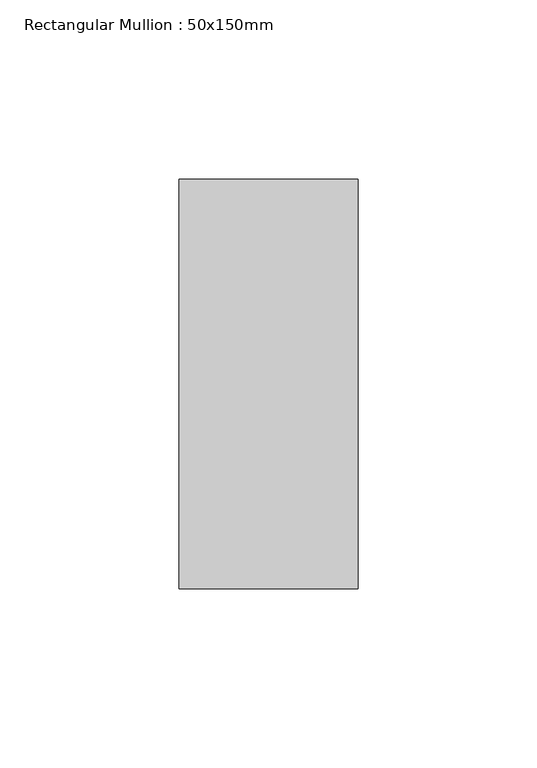
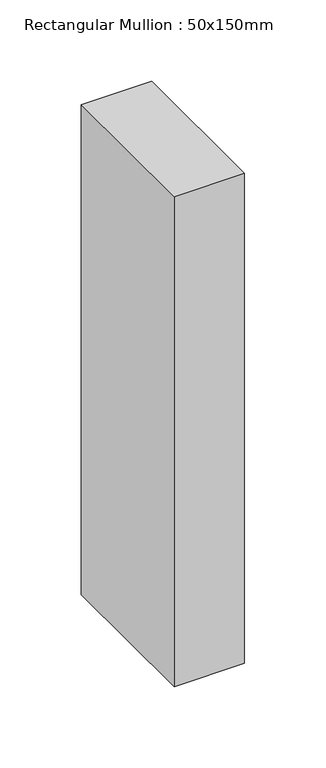
"""IFC4 building model written with IfcOpenShell, lengths in millimetres: member geometry, Rectangular Mullion : 50x150mm."""

from ifc_helpers import new_model, si_unit, frame, origin, place, context, project, spatial, polyline, outline, extrude, source, transform, mapped, element, save


def rectangular_mullion_50x150mm_c40a1df8(model_context):
    return source(origin(), model_context, "Body", "SweptSolid", [
        extrude(outline(polyline([(0.0, 57.15), (0.0, -57.15), (-50.0, -57.15), (-50.0, 57.15), (0.0, 57.15)])), frame((0.0, 0.0, -368.3), z_axis=(0.0, 0.0, 1.0), x_axis=(1.0, 0.0, 0.0)), (0.0, 0.0, 1.0), 368.3),
    ])


if __name__ == "__main__":
    model = new_model("IFC4")
    model_context = context("Model", 3, world=origin())
    ifc_project = project(units=[si_unit("LENGTHUNIT", "METRE", prefix="MILLI")], contexts=[model_context])
    site = spatial("IfcSite", under=ifc_project)
    building = spatial("IfcBuilding", under=site)
    placement = place(None, origin())
    rectangular_mullion_50x150mm_shape = rectangular_mullion_50x150mm_c40a1df8(model_context)
    element("IfcMember", 1, ObjectType="Rectangular Mullion : 50x150mm", at=placement, inside=building, context=model_context, shape_type="MappedRepresentation", body=[
        mapped(rectangular_mullion_50x150mm_shape, transform((0.0, 0.0, 0.0), x_axis=(1.0, 0.0, 0.0), y_axis=(0.0, 1.0, 0.0), z_axis=(0.0, 0.0, 1.0))),
    ])
    save(model, "model.ifc")
